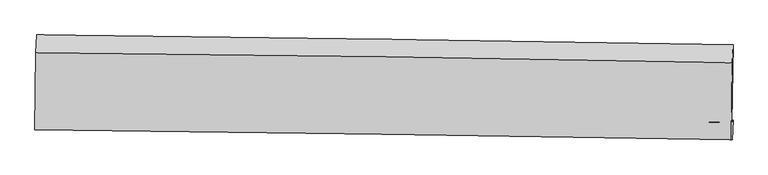
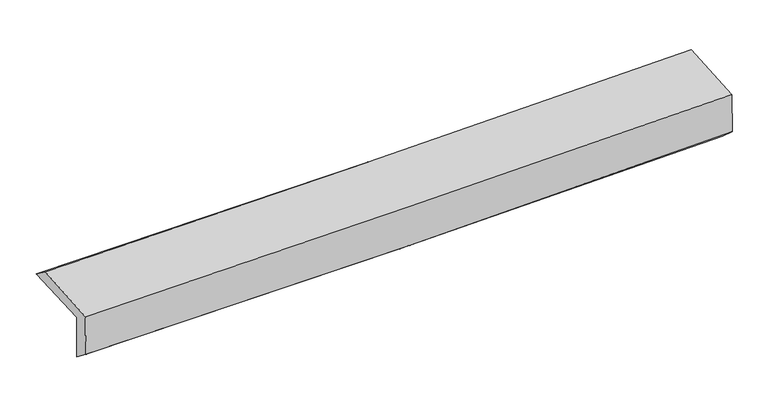
"""IFC4 building model written with IfcOpenShell, lengths in millimetres: proxy geometry."""

from ifc_helpers import new_model, si_unit, frame, origin, place, context, project, spatial, source, transform, mapped, element, save
from ifc_brep_helpers import plane_surface, spline_curve, spline_surface, advanced_brep


def generic_models_114d0fca(model_context):
    return source(origin(), model_context, "Body", "AdvancedBrep", [
        advanced_brep(
        [(-3025.3687447, -1761.873768, 1972.0047178), (-3015.5047421, -1090.9682861, 1991.1808921), (3011.9273528, -1177.2552349, 2130.4050498), (3002.4300905, -1845.4003831, 2111.3212005), (-3015.4785136, -1745.747045, 1564.3189972), (3012.3184516, -1829.3557921, 1703.6628147), (-3020.9308938, -1907.6190515, 1689.5995727), (3006.3975246, -1996.6793219, 1848.5441425), (-3029.9356793, -1910.2817241, 2068.6021658), (2997.5090158, -1999.3057684, 2222.402976), (-3020.6406721, -1245.0961121, 2108.1169994), (3006.5143312, -1331.6534041, 2261.9600111)],
        [
            (0, 1),
            (1, 2, spline_curve(3, [(-3015.5047421, -1090.9682861, 1991.1808921), (-2010.391710757, -1100.24375972, 1994.903269428), (-1005.550327252, -1112.072053573, 2008.366422531), (1003.59370711, -1140.834346322, 2054.774386622), (2007.896354886, -1157.768369178, 2087.719285888), (3011.9273528, -1177.2552349, 2130.4050498)], [4, 2, 4], [0.0, 9.891849958274486, 19.783744828619156])),
            (2, 3),
            (3, 0, spline_curve(3, [(3002.4300905, -1845.4003831, 2111.3212005), (1998.290868661, -1824.046785914, 2072.108543525), (993.903547347, -1806.409428713, 2040.892499937), (-1015.362733411, -1778.567257493, 1994.453745086), (-2020.241690341, -1768.362409742, 1979.230961161), (-3025.3687447, -1761.873768, 1972.0047178)], [4, 2, 4], [0.0, 9.89189487034467, 19.783744828619156])),
            (4, 0),
            (3, 5),
            (5, 4, spline_curve(3, [(3012.3184516, -1829.3557921, 1703.6628147), (2008.214206874, -1811.209693953, 1660.919803826), (1003.84452996, -1795.169238051, 1627.936309389), (-1005.421127626, -1767.299675017, 1581.488459055), (-2010.317105458, -1755.470548133, 1568.024014312), (-3015.4785136, -1745.747045, 1564.3189972)], [4, 2, 4], [0.0, 9.892159803683253, 19.784274694093448])),
            (6, 4),
            (5, 7),
            (7, 6, spline_curve(3, [(3006.3975246, -1996.6793219, 1848.5441425), (2002.26346907, -1979.533348313, 1805.857740798), (997.917932635, -1963.538658063, 1771.269147271), (-1011.191542255, -1933.85191153, 1718.287697805), (-2015.955478339, -1920.159845123, 1699.894767858), (-3020.9308938, -1907.6190515, 1689.5995727)], [4, 2, 4], [0.0, 9.892199087908741, 19.78435326236606])),
            (8, 6),
            (7, 9),
            (9, 8, spline_curve(3, [(2997.5090158, -1999.3057684, 2222.402976), (1993.237068734, -1982.200859198, 2185.559692374), (988.812896745, -1966.229719825, 2154.321300034), (-1020.335336477, -1936.555048741, 2103.054413949), (-2025.059396175, -1922.851506499, 2083.025869934), (-3029.9356793, -1910.2817241, 2068.6021658)], [4, 2, 4], [0.0, 9.892108381338886, 19.784171849638184])),
            (10, 8),
            (9, 11),
            (11, 10, spline_curve(3, [(3006.5143312, -1331.6534041, 2261.9600111), (2002.324189618, -1312.477069903, 2225.289263812), (997.965061418, -1295.675783929, 2194.133622381), (-1011.086607769, -1266.823375171, 2142.852668834), (-2015.779147348, -1254.772229989, 2122.727306187), (-3020.6406721, -1245.0961121, 2108.1169994)], [4, 2, 4], [0.0, 9.891789646831707, 19.783534382070975])),
            (1, 10),
            (11, 2),
        ],
        [
            spline_surface(3, 3, [[(-3025.3687447, -1761.873768, 1972.0047178), (-2020.241690324, -1768.362409613, 1979.230961063), (-1015.362733367, -1778.567257463, 1994.453745038), (993.903547303, -1806.409428743, 2040.892499985), (1998.290868711, -1824.046785942, 2072.108543588), (3002.4300905, -1845.4003831, 2111.3212005)], [(-3022.080743837, -1538.238607374, 1978.396775906), (-2016.958363856, -1545.656192965, 1984.455063806), (-1012.091931286, -1556.402189444, 1999.091304202), (997.133600537, -1584.551067985, 2045.519795538), (2001.492697412, -1601.953980292, 2077.312124388), (3005.595844606, -1622.68533369, 2117.68248361)], [(-3018.792742963, -1314.603446726, 1984.788833994), (-2013.675037378, -1322.949976294, 1989.679166531), (-1008.821129216, -1334.237121436, 2003.728863356), (1000.363653759, -1362.692707236, 2050.14709108), (2004.694526096, -1379.861174673, 2082.515705157), (3008.761598694, -1399.97028431, 2124.04376669)], [(-3015.5047421, -1090.9682861, 1991.1808921), (-2010.39171091, -1100.243759646, 1994.903269274), (-1005.550327134, -1112.072053417, 2008.36642252), (1003.593706993, -1140.834346478, 2054.774386633), (2007.896354797, -1157.768369023, 2087.719285957), (3011.9273528, -1177.2552349, 2130.4050498)]], [4, 4], [4, 2, 4], [0.0, 2.1858644270976693], [0.0, 9.891849958274486, 19.783744828619156]),
            spline_surface(3, 3, [[(-3015.4785136, -1745.747045, 1564.3189972), (-2010.317105555, -1755.47054827, 1568.024014166), (-1005.421127578, -1767.299674908, 1581.488458957), (1003.844529913, -1795.16923816, 1627.936309486), (2008.214206974, -1811.209693877, 1660.919803894), (3012.3184516, -1829.3557921, 1703.6628147)], [(-3018.775257296, -1751.122619333, 1700.21423738), (-2013.625300474, -1759.767835384, 1705.092996446), (-1008.734996177, -1771.055535753, 1719.143554323), (1000.530869041, -1798.915968348, 1765.588372991), (2004.90642756, -1815.488724551, 1797.982717116), (3009.022331241, -1834.703989085, 1839.548943291)], [(-3022.072001004, -1756.498193667, 1836.10947762), (-2016.933495405, -1764.065122499, 1842.161978784), (-1012.048864768, -1774.811396618, 1856.798649673), (997.217208176, -1802.662698555, 1903.24043648), (2001.598648125, -1819.767755268, 1935.045630366), (3005.726210859, -1840.052186115, 1975.435071909)], [(-3025.3687447, -1761.873768, 1972.0047178), (-2020.241690324, -1768.362409613, 1979.230961063), (-1015.362733367, -1778.567257463, 1994.453745038), (993.903547303, -1806.409428743, 2040.892499985), (1998.290868711, -1824.046785942, 2072.108543588), (3002.4300905, -1845.4003831, 2111.3212005)]], [4, 4], [4, 2, 4], [0.0, 1.3557534494992465], [0.0, 9.892114890410195, 19.784274694093448]),
            spline_surface(3, 3, [[(-3020.9308938, -1907.6190515, 1689.5995727), (-2015.955478315, -1920.159845047, 1699.894767747), (-1011.191542168, -1933.851911627, 1718.287697669), (997.917932548, -1963.538657967, 1771.269147407), (2002.263469209, -1979.533348198, 1805.857740744), (3006.3975246, -1996.6793219, 1848.5441425)], [(-3019.113433748, -1853.661715997, 1647.83938087), (-2014.076020744, -1865.263412785, 1655.93784989), (-1009.268070635, -1878.334499404, 1672.687951434), (999.893465006, -1907.415518049, 1723.491534769), (2004.247048467, -1923.425463433, 1757.545095111), (3008.371166936, -1940.904811975, 1800.25036655)], [(-3017.295973652, -1799.704380503, 1606.07918903), (-2012.196563127, -1810.366980533, 1611.980932024), (-1007.344599112, -1822.81708713, 1627.088205193), (1001.868997455, -1851.292378078, 1675.713922125), (2006.230627716, -1867.317578642, 1709.232449527), (3010.344809264, -1885.130302025, 1751.95659065)], [(-3015.4785136, -1745.747045, 1564.3189972), (-2010.317105555, -1755.47054827, 1568.024014166), (-1005.421127578, -1767.299674908, 1581.488458957), (1003.844529913, -1795.16923816, 1627.936309486), (2008.214206974, -1811.209693877, 1660.919803894), (3012.3184516, -1829.3557921, 1703.6628147)]], [4, 4], [4, 2, 4], [0.0, 0.7165149623495096], [0.0, 9.89215417445732, 19.78435326236606]),
            spline_surface(3, 3, [[(-3029.9356793, -1910.2817241, 2068.6021658), (-2025.059396042, -1922.851506536, 2083.025869771), (-1020.33533641, -1936.555048721, 2103.054414065), (988.812896678, -1966.229719845, 2154.321299919), (1993.237068734, -1982.200859122, 2185.559692326), (2997.5090158, -1999.3057684, 2222.402976)], [(-3026.934084117, -1909.394166574, 1942.267968124), (-2022.024756783, -1921.954286047, 1955.315502453), (-1017.287404971, -1935.654003017, 1974.798841926), (991.84790866, -1965.332699213, 2026.637249075), (1996.245868899, -1981.31168883, 2058.992375143), (3000.471852073, -1998.43028625, 2097.783364845)], [(-3023.932488983, -1908.506609026, 1815.933770376), (-2018.990117574, -1921.057065536, 1827.605135065), (-1014.239473608, -1934.752957331, 1846.543269808), (994.882920566, -1964.435678599, 1898.953198251), (1999.254669044, -1980.422518489, 1932.425057927), (3003.434688327, -1997.55480405, 1973.163753655)], [(-3020.9308938, -1907.6190515, 1689.5995727), (-2015.955478315, -1920.159845047, 1699.894767747), (-1011.191542168, -1933.851911627, 1718.287697669), (997.917932548, -1963.538657967, 1771.269147407), (2002.263469209, -1979.533348198, 1805.857740744), (3006.3975246, -1996.6793219, 1848.5441425)]], [4, 4], [4, 2, 4], [0.0, 1.2599321423158498], [0.0, 9.892063468299298, 19.784171849638184]),
            spline_surface(3, 3, [[(-3020.6406721, -1245.0961121, 2108.1169994), (-2015.7791473, -1254.772230077, 2122.72730604), (-1011.086607825, -1266.823375007, 2142.852668702), (997.965061474, -1295.675784092, 2194.133622513), (2002.32418977, -1312.477069858, 2225.289263768), (3006.5143312, -1331.6534041, 2261.9600111)], [(-3023.739007842, -1466.824649432, 2094.945388185), (-2018.872563556, -1477.465322229, 2109.493493935), (-1014.169517375, -1490.06726625, 2129.586583826), (994.914339854, -1519.193762681, 2180.862848318), (1999.295149424, -1535.718332945, 2212.046073298), (3003.512559399, -1554.204192199, 2248.774332743)], [(-3026.837343558, -1688.553186768, 2081.773777015), (-2021.965979785, -1700.158414384, 2096.259681875), (-1017.252426861, -1713.311157479, 2116.320498941), (991.863618298, -1742.711741256, 2167.592074114), (1996.266109081, -1758.959596035, 2198.802882796), (3000.510787601, -1776.754980301, 2235.588654357)], [(-3029.9356793, -1910.2817241, 2068.6021658), (-2025.059396042, -1922.851506536, 2083.025869771), (-1020.33533641, -1936.555048721, 2103.054414065), (988.812896678, -1966.229719845, 2154.321299919), (1993.237068734, -1982.200859122, 2185.559692326), (2997.5090158, -1999.3057684, 2222.402976)]], [4, 4], [4, 2, 4], [0.0, 2.20271322211424], [0.0, 9.891744735239268, 19.783534382070975]),
            spline_surface(3, 3, [[(-3015.5047421, -1090.9682861, 1991.1808921), (-2010.39171091, -1100.243759646, 1994.903269274), (-1005.550327134, -1112.072053417, 2008.36642252), (1003.593706993, -1140.834346478, 2054.774386633), (2007.896354797, -1157.768369023, 2087.719285957), (3011.9273528, -1177.2552349, 2130.4050498)], [(-3017.216718759, -1142.34422809, 2030.159594535), (-2012.187523033, -1151.75324978, 2037.511281531), (-1007.39575404, -1163.655827274, 2053.195171241), (1001.717491811, -1192.44815901, 2101.227465253), (2006.038966433, -1209.337935968, 2133.575945222), (3010.123012245, -1228.7212913, 2174.256703562)], [(-3018.928695441, -1193.72017011, 2069.138296965), (-2013.983335177, -1203.262739943, 2080.119293783), (-1009.241180919, -1215.23960115, 2098.023919981), (999.841276656, -1244.06197156, 2147.680543893), (2004.181578134, -1260.907502913, 2179.432604503), (3008.318671755, -1280.1873477, 2218.108357338)], [(-3020.6406721, -1245.0961121, 2108.1169994), (-2015.7791473, -1254.772230077, 2122.72730604), (-1011.086607825, -1266.823375007, 2142.852668702), (997.965061474, -1295.675784092, 2194.133622513), (2002.32418977, -1312.477069858, 2225.289263768), (3006.5143312, -1331.6534041, 2261.9600111)]], [4, 4], [4, 2, 4], [0.0, 0.6782768370519225], [0.0, 9.891521487717343, 19.78308788601351]),
            plane_surface(frame((3006.1827944, -1696.6083174, 2046.3826991), z_axis=(0.9996092216966943, -0.014884636132862304, 0.02366118141854628), x_axis=(0.023767737485845406, 0.007023077887731646, -0.9996928383417513))),
            plane_surface(frame((-3021.3098743, -1610.2643311, 1898.9705575), z_axis=(-0.9996022999199895, 0.015372414847656949, -0.023641718558912436), x_axis=(-0.014694933081360342, -0.9994838373985122, -0.028567774167385478))),
        ],
        [
            (0, [[1, 2, 3, 4]]),
            (1, [[5, -4, 6, 7]]),
            (2, [[8, -7, 9, 10]]),
            (3, [[11, -10, 12, 13]]),
            (4, [[14, -13, 15, 16]]),
            (5, [[17, -16, 18, -2]]),
            (6, [[-12, -9, -6, -3, -18, -15]]),
            (7, [[-1, -5, -8, -11, -14, -17]]),
        ],
    ),
    ])


if __name__ == "__main__":
    model = new_model("IFC4")
    model_context = context("Model", 3, world=origin())
    ifc_project = project(units=[si_unit("LENGTHUNIT", "METRE", prefix="MILLI")], contexts=[model_context])
    site = spatial("IfcSite", under=ifc_project)
    building = spatial("IfcBuilding", under=site)
    placement = place(None, origin())
    generic_models_shape = generic_models_114d0fca(model_context)
    element("IfcBuildingElementProxy", 1, Name="Generic Models", at=placement, inside=building, context=model_context, shape_type="MappedRepresentation", body=[
        mapped(generic_models_shape, transform((0.0, 0.0, 0.0), x_axis=(1.0, 0.0, 0.0), y_axis=(0.0, 1.0, 0.0), z_axis=(0.0, 0.0, 1.0))),
    ])
    save(model, "model.ifc")
